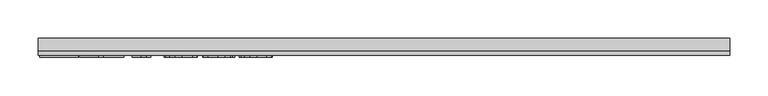
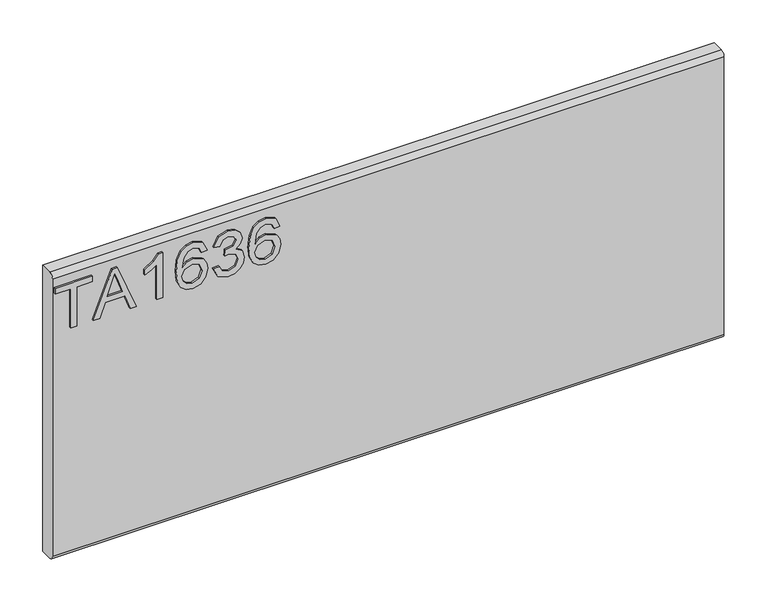
"""IFC4 building model written with IfcOpenShell, lengths in millimetres: furniture geometry."""

import ifcopenshell
import ifcopenshell.guid

model = None  # the IFC model being written
_history = None  # IfcOwnerHistory: only IFC2X3 demands one
_inside = {}  # id of a spatial element -> (the spatial element, [elements in it])
_under = {}  # id of a project, library or spatial element -> (it, [spatial elements below it])
_declared = {}  # id of a project -> (the project, [libraries it declares])
_typed = {}  # id of a type object -> (the type object, [elements of that type])
_made_of = {}  # id of a material, layer set ... -> (it, [elements and type objects made of it])


def new_model(schema):
    """Start an empty IFC model of exactly this schema.

    Asked for "IFC4X3", IfcOpenShell would pick the latest addendum, in which some entities
    have other attributes; the version numbers below select the first issue.
    IFC2X3 requires an IfcOwnerHistory on every rooted entity: one is made here for all.
    """
    global model, _history
    if schema == "IFC4X3":
        model = ifcopenshell.file(schema_version=(4, 3, 0, 0))
    else:
        model = ifcopenshell.file(schema=schema)
    _inside.clear()
    _under.clear()
    _declared.clear()
    _typed.clear()
    _made_of.clear()
    _history = None
    if model.schema == "IFC2X3":
        org = make("IfcOrganization", Name="unknown")
        user = make(
            "IfcPersonAndOrganization",
            ThePerson=make("IfcPerson", FamilyName="unknown"),
            TheOrganization=org,
        )
        app = make(
            "IfcApplication",
            ApplicationDeveloper=org,
            Version="unknown",
            ApplicationFullName="unknown",
            ApplicationIdentifier="unknown",
        )
        _history = make(
            "IfcOwnerHistory",
            OwningUser=user,
            OwningApplication=app,
            ChangeAction="ADDED",
            CreationDate=0,
        )
    return model


def make(cls, **values):
    """One entity of the class cls with the attributes given. An attribute that is None is left unset."""
    return model.create_entity(
        cls, **{name: value for name, value in values.items() if value is not None}
    )


def rooted(cls, **values):
    """An entity with a GlobalId (a new one), such as an element, a storey or a relation."""
    return make(cls, GlobalId=ifcopenshell.guid.new(), OwnerHistory=_history, **values)


def si_unit(unit_type, name, prefix=None):
    """IfcSIUnit, for example si_unit("LENGTHUNIT", "METRE", prefix="MILLI")."""
    return make("IfcSIUnit", UnitType=unit_type, Prefix=prefix, Name=name)


def assignment(units):
    """IfcUnitAssignment: the units of a project."""
    return None if units is None else make("IfcUnitAssignment", Units=units)


def point(xyz):
    """IfcCartesianPoint."""
    return None if xyz is None else make("IfcCartesianPoint", Coordinates=xyz)


def direction(xyz):
    """IfcDirection."""
    return None if xyz is None else make("IfcDirection", DirectionRatios=xyz)


def frame(location, z_axis=None, x_axis=None):
    """IfcAxis2Placement3D, a coordinate frame: its origin and axes. An axis left out is left unset."""
    return make(
        "IfcAxis2Placement3D",
        Location=point(location),
        Axis=direction(z_axis),
        RefDirection=direction(x_axis),
    )


def origin():
    """The frame at (0, 0, 0) with its axes left unset."""
    return frame((0.0, 0.0, 0.0))


def place(relative_to, where):
    """IfcLocalPlacement: puts the frame where relative to a parent placement (None: the world)."""
    return make(
        "IfcLocalPlacement", PlacementRelTo=relative_to, RelativePlacement=where
    )


def context(
    kind, dimensions, precision=None, world=None, true_north=None, identifier=None
):
    """IfcGeometricRepresentationContext, for example the 3D "Model" context."""
    return make(
        "IfcGeometricRepresentationContext",
        ContextIdentifier=identifier,
        ContextType=kind,
        CoordinateSpaceDimension=dimensions,
        Precision=precision,
        WorldCoordinateSystem=world,
        TrueNorth=true_north,
    )


def project(units=None, contexts=None):
    """IfcProject with its units and contexts."""
    return rooted(
        "IfcProject",
        Name="project",
        RepresentationContexts=contexts,
        UnitsInContext=assignment(units),
    )


def spatial(cls, under=None, at=None, **own):
    """A site, building, storey or space (cls), placed at a placement, below another one or the project."""
    s = rooted(cls, ObjectPlacement=at, **own)
    if under is not None:
        _under.setdefault(under.id(), (under, []))[1].append(s)
    return s


def polyline(points):
    """IfcPolyline through the points."""
    return make("IfcPolyline", Points=[point(p) for p in points])


def circle_curve(where, radius):
    """IfcCircle in the frame where."""
    return make("IfcCircle", Position=where, Radius=radius)


def outline(outer, holes=None, kind="AREA"):
    """IfcArbitraryClosedProfileDef: a profile drawn as a closed curve; with holes, ...WithVoids."""
    if holes is None:
        return make("IfcArbitraryClosedProfileDef", ProfileType=kind, OuterCurve=outer)
    return make(
        "IfcArbitraryProfileDefWithVoids",
        ProfileType=kind,
        OuterCurve=outer,
        InnerCurves=holes,
    )


def extrude(swept, where, along, depth):
    """IfcExtrudedAreaSolid: the profile swept, set in the frame where, extruded along a direction by depth."""
    return make(
        "IfcExtrudedAreaSolid",
        SweptArea=swept,
        Position=where,
        ExtrudedDirection=direction(along),
        Depth=depth,
    )


def shape(context_of_items, identifier, shape_type, items):
    """IfcShapeRepresentation: the items that make up one representation, for example the "Body"."""
    return make(
        "IfcShapeRepresentation",
        ContextOfItems=context_of_items,
        RepresentationIdentifier=identifier,
        RepresentationType=shape_type,
        Items=items,
    )


def source(mapping_origin, context_of_items, identifier, shape_type, items):
    """IfcRepresentationMap: a shape defined once, which mapped items show again and again."""
    return make(
        "IfcRepresentationMap",
        MappingOrigin=mapping_origin,
        MappedRepresentation=shape(context_of_items, identifier, shape_type, items),
    )


def transform(
    local_origin,
    x_axis=None,
    y_axis=None,
    z_axis=None,
    scale=None,
    scale2=None,
    scale3=None,
    uniform=True,
):
    """IfcCartesianTransformationOperator3D, or its non-uniform kind. x_axis, y_axis, z_axis: its Axis1, 2, 3."""
    if uniform:
        return make(
            "IfcCartesianTransformationOperator3D",
            Axis1=direction(x_axis),
            Axis2=direction(y_axis),
            LocalOrigin=point(local_origin),
            Scale=scale,
            Axis3=direction(z_axis),
        )
    return make(
        "IfcCartesianTransformationOperator3DnonUniform",
        Axis1=direction(x_axis),
        Axis2=direction(y_axis),
        LocalOrigin=point(local_origin),
        Scale=scale,
        Axis3=direction(z_axis),
        Scale2=scale2,
        Scale3=scale3,
    )


def mapped(mapping_source, mapping_target):
    """IfcMappedItem: shows the shape of a source again, moved by a transform."""
    return make(
        "IfcMappedItem", MappingSource=mapping_source, MappingTarget=mapping_target
    )


def made_of(thing, what):
    """Note that an element or type object is made of a material, layer set ...; save() writes the relation."""
    if what is not None:
        _made_of.setdefault(what.id(), (what, []))[1].append(thing)
    return thing


def element(
    cls,
    number,
    at=None,
    inside=None,
    cuts=None,
    type_object=None,
    material=None,
    context=None,
    identifier="Body",
    shape_type=None,
    held_by="IfcProductDefinitionShape",
    body=None,
    shapes=None,
    **own,
):
    """One element of the class cls, such as IfcWall. Its Tag is "e" and its number.

    at: its placement. inside: the storey or other place that contains it. cuts: it is an
    opening in that element (IfcRelVoidsElement). A single representation is given by context,
    identifier, shape_type and body (its items); several are given by shapes. held_by: the class
    of the entity that holds the representations. save() writes the other relations.
    """
    e = rooted(cls, Tag="e%d" % number, ObjectPlacement=at, **own)
    if body is not None:
        shapes = [shape(context, identifier, shape_type, body)]
    if shapes is not None:
        e.Representation = make(held_by, Representations=shapes)
    if inside is not None:
        _inside.setdefault(inside.id(), (inside, []))[1].append(e)
    if cuts is not None:
        rooted(
            "IfcRelVoidsElement", RelatingBuildingElement=cuts, RelatedOpeningElement=e
        )
    if type_object is not None:
        _typed.setdefault(type_object.id(), (type_object, []))[1].append(e)
    return made_of(e, material)


def aggregate(whole, parts):
    """IfcRelAggregates: a whole, such as a stair, and the parts it consists of."""
    return rooted("IfcRelAggregates", RelatingObject=whole, RelatedObjects=parts)


def save(model, path):
    """Write the relations noted so far, then the file.

    IfcRelAggregates (storeys below a building ...), IfcRelContainedInSpatialStructure (elements
    in a storey), IfcRelDefinesByType, IfcRelAssociatesMaterial and IfcRelDeclares: one each for
    every whole, place, type object, material and project.
    """
    for whole, parts in _under.values():
        aggregate(whole, parts)
    for where, things in _inside.values():
        rooted(
            "IfcRelContainedInSpatialStructure",
            RelatedElements=things,
            RelatingStructure=where,
        )
    for kind, things in _typed.values():
        rooted("IfcRelDefinesByType", RelatedObjects=things, RelatingType=kind)
    for what, things in _made_of.values():
        rooted("IfcRelAssociatesMaterial", RelatedObjects=things, RelatingMaterial=what)
    for by, libraries in _declared.values():
        rooted("IfcRelDeclares", RelatingContext=by, RelatedDefinitions=libraries)
    model.write(path)


def plane_surface(at):
    """IfcPlane: the flat surface through the origin of the frame at, square to its z axis."""
    return make("IfcPlane", Position=at)


def cylinder_surface(at, radius):
    """IfcCylindricalSurface: all points at the distance radius from the z axis of the frame at."""
    return make("IfcCylindricalSurface", Position=at, Radius=radius)


def advanced_brep(points, edges, surfaces, faces):
    """IfcAdvancedBrep: a solid bounded by faces that lie on surfaces and meet in shared edges.

    An edge is (start, end): straight between two places in points (the first is 0);
    or (start, end, curve); or (start, end, curve, False) where it runs against its curve.
    A face is (place in surfaces, loops), or (place, loops, False) where it looks against
    its surface's normal. A loop lists edges by number (the first is 1), with a minus sign
    where the edge is run from its end to its start. The first loop is the outer one.
    """
    corners = [point(p) for p in points]
    vertices = [make("IfcVertexPoint", VertexGeometry=c) for c in corners]
    made = []
    for start, end, *more in edges:
        made.append(
            make(
                "IfcEdgeCurve",
                EdgeStart=vertices[start],
                EdgeEnd=vertices[end],
                EdgeGeometry=more[0] if more else make("IfcPolyline", Points=[corners[start], corners[end]]),
                SameSense=more[1] if len(more) > 1 else True,
            )
        )
    hull = []
    for where, loops, *sense in faces:
        bounds = []
        for j, loop in enumerate(loops):
            ring = [make("IfcOrientedEdge", EdgeElement=made[abs(k) - 1], Orientation=k > 0) for k in loop]
            bounds.append(
                make(
                    "IfcFaceOuterBound" if j == 0 else "IfcFaceBound",
                    Bound=make("IfcEdgeLoop", EdgeList=ring),
                    Orientation=True,
                )
            )
        hull.append(make("IfcAdvancedFace", Bounds=bounds, FaceSurface=surfaces[where], SameSense=sense[0] if sense else True))
    return make("IfcAdvancedBrep", Outer=make("IfcClosedShell", CfsFaces=hull))


def furniture_c8c7a907(model_context):
    return source(origin(), model_context, "Body", "SolidModel", [
        extrude(outline(polyline([(1085.85, -427.9255561), (1085.85, -419.9518365), (1141.6660373, -419.9518365), (1141.6660373, -399.0208225), (1149.6397569, -399.0208225), (1149.6397569, -448.8565701), (1141.6660373, -448.8565701), (1141.6660373, -427.9255561), (1085.85, -427.9255561)])), frame((0.0, -15.0812439, 0.0), z_axis=(0.0, 1.0, 0.0), x_axis=(0.0, 0.0, 1.0)), (0.0, 0.0, 1.0), 2.38125),
        extrude(outline(polyline([(1085.85, -397.479029), (1085.85, -389.053673), (1105.784299, -381.7651949), (1105.784299, -355.4924117), (1085.85, -348.1883599), (1085.85, -339.7630038), (1149.6397569, -365.2259561), (1149.6397569, -372.0160767), (1085.85, -397.479029)]), holes=[polyline([(1113.7580187, -378.8373447), (1130.8111885, -372.5923026), (1141.6660373, -368.6210164), (1129.4407055, -364.1513728), (1113.7580187, -358.4046882), (1113.7580187, -378.8373447)])]), frame((0.0, -15.0812439, 0.0), z_axis=(0.0, 1.0, 0.0), x_axis=(0.0, 0.0, 1.0)), (0.0, 0.0, 1.0), 2.38125),
        extrude(outline(polyline([(1085.85, -304.332902), (1149.6397569, -304.332902), (1149.6397569, -309.4722135), (1141.1521062, -316.5660207), (1133.6923177, -328.2540609), (1126.1546609, -328.2540609), (1130.1804549, -319.8598521), (1135.5611582, -312.3066216), (1085.85, -312.3066216), (1085.85, -304.332902)])), frame((0.0, -15.0812439, 0.0), z_axis=(0.0, 1.0, 0.0), x_axis=(0.0, 0.0, 1.0)), (0.0, 0.0, 1.0), 2.38125),
        extrude(outline(polyline([(1132.6956028, -244.5300049), (1145.138966, -250.4168526), (1149.6397569, -263.0159525), (1147.8215308, -272.2706066), (1142.3668525, -279.4150282), (1131.5081103, -284.6477817), (1115.6268592, -286.3920329), (1101.5015395, -284.8210388), (1092.0171738, -280.1080566), (1086.6442572, -272.903287), (1084.853285, -263.8569308), (1087.555317, -253.4069974), (1095.3421526, -246.1652403), (1106.3449512, -243.5332899), (1114.5172351, -244.9310269), (1121.0309231, -249.1242379), (1126.715313, -262.6733317), (1124.6362279, -271.3868007), (1118.2743833, -278.4183133), (1132.4853582, -276.1523441), (1139.7349021, -270.709346), (1141.6660373, -263.51431), (1138.3488454, -255.5250167), (1131.6988878, -252.5037245), (1132.6956028, -244.5300049)]), holes=[polyline([(1106.4695406, -278.4183133), (1115.35432, -274.454814), (1118.7415934, -264.8069247), (1115.35432, -255.0344461), (1106.0801988, -251.5070095), (1096.3933754, -255.0811671), (1092.8270047, -264.4798776), (1094.5478953, -271.6671268), (1099.5626174, -276.5728332), (1106.4695406, -278.4183133)])]), frame((0.0, -15.0812439, 0.0), z_axis=(0.0, 1.0, 0.0), x_axis=(0.0, 0.0, 1.0)), (0.0, 0.0, 1.0), 2.38125),
        extrude(outline(polyline([(1102.7941542, -236.5562853), (1089.8524335, -230.2178011), (1084.853285, -216.2326444), (1086.3172101, -207.7099529), (1090.7089854, -200.7991364), (1097.2032063, -196.220477), (1104.9744681, -194.6942573), (1115.3465331, -197.7466968), (1120.797318, -206.4368053), (1126.0767925, -199.8958634), (1133.4275653, -197.6844021), (1141.4713664, -200.012666), (1147.4516562, -206.7404919), (1149.6397569, -216.3572338), (1145.2012607, -229.0342021), (1132.6956028, -235.5595703), (1131.6988878, -227.5858507), (1139.1742499, -223.6768592), (1141.6660373, -216.0769077), (1139.1976105, -208.5703982), (1132.9603552, -205.6581217), (1125.9210558, -209.6761289), (1123.7251682, -220.0014729), (1115.7514486, -220.8891721), (1116.6235742, -215.2982242), (1113.36089, -206.2343476), (1105.1146312, -202.6679769), (1096.362228, -206.2654949), (1092.8270047, -215.9523184), (1095.3966604, -224.1830036), (1103.7908691, -228.5825656), (1102.7941542, -236.5562853)])), frame((0.0, -15.0812439, 0.0), z_axis=(0.0, 1.0, 0.0), x_axis=(0.0, 0.0, 1.0)), (0.0, 0.0, 1.0), 2.38125),
        extrude(outline(polyline([(1132.6956028, -146.8519396), (1145.138966, -152.7387872), (1149.6397569, -165.3378872), (1147.8215308, -174.5925413), (1142.3668525, -181.7369629), (1131.5081103, -186.9697164), (1115.6268592, -188.7139676), (1101.5015395, -187.1429735), (1092.0171738, -182.4299913), (1086.6442572, -175.2252216), (1084.853285, -166.1788654), (1087.555317, -155.7289321), (1095.3421526, -148.487175), (1106.3449512, -145.8552246), (1114.5172351, -147.2529616), (1121.0309231, -151.4461725), (1126.715313, -164.9952664), (1124.6362279, -173.7087354), (1118.2743833, -180.7402479), (1132.4853582, -178.4742788), (1139.7349021, -173.0312807), (1141.6660373, -165.8362447), (1138.3488454, -157.8469514), (1131.6988878, -154.8256592), (1132.6956028, -146.8519396)]), holes=[polyline([(1106.4695406, -180.7402479), (1115.35432, -176.7767486), (1118.7415934, -167.1288594), (1115.35432, -157.3563807), (1106.0801988, -153.8289442), (1096.3933754, -157.4031017), (1092.8270047, -166.8018123), (1094.5478953, -173.9890615), (1099.5626174, -178.8947679), (1106.4695406, -180.7402479)])]), frame((0.0, -15.0812439, 0.0), z_axis=(0.0, 1.0, 0.0), x_axis=(0.0, 0.0, 1.0)), (0.0, 0.0, 1.0), 2.38125),
        advanced_brep(
        [(450.85, 9.5250061, 1168.4), (450.85, -6.7309939, 1168.4), (450.85, -12.6999939, 1162.431), (450.85, -12.6999939, 767.969), (450.85, -6.7309939, 762.0), (450.85, 9.5250061, 762.0), (-450.85, 9.5250061, 1168.4), (-450.85, 9.5250061, 762.0), (-450.85, -6.7309939, 762.0), (-450.85, -12.6999939, 767.969), (-450.85, -12.6999939, 1162.4310121), (-450.85, -6.7309939, 1168.4)],
        [
            (0, 1),
            (1, 2, circle_curve(frame((450.85, -6.7309939, 1162.431), z_axis=(1.0, 0.0, 0.0), x_axis=(0.0, 1.0, 0.0)), 5.969)),
            (2, 3),
            (3, 4, circle_curve(frame((450.85, -6.7309939, 767.969), z_axis=(1.0, 0.0, 0.0), x_axis=(0.0, 1.0, 0.0)), 5.969)),
            (4, 5),
            (5, 0),
            (6, 7),
            (7, 8),
            (8, 9, circle_curve(frame((-450.85, -6.7309939, 767.969), z_axis=(-1.0, 0.0, 0.0), x_axis=(0.0, 1.0, 0.0)), 5.969)),
            (9, 10),
            (10, 11, circle_curve(frame((-450.85, -6.7309939, 1162.431), z_axis=(-1.0, 0.0, 0.0), x_axis=(0.0, 1.0, 0.0)), 5.969)),
            (11, 6),
            (0, 6),
            (11, 1),
            (10, 2),
            (9, 3),
            (8, 4),
            (7, 5),
        ],
        [
            plane_surface(frame((450.85, -6.7309939, 1168.4), z_axis=(1.0, 0.0, 0.0), x_axis=(0.0, -1.0, 0.0))),
            plane_surface(frame((-450.85, -6.7309939, 1168.4), z_axis=(-1.0, 0.0, 0.0), x_axis=(0.0, 1.0, 0.0))),
            plane_surface(frame((450.85, 9.5250061, 1168.4), z_axis=(0.0, 0.0, 1.0), x_axis=(-1.0, 0.0, 0.0))),
            cylinder_surface(frame((-450.85, -6.7309939, 1162.431), z_axis=(1.0, 0.0, 0.0), x_axis=(0.0, 1.0, 0.0)), 5.969),
            plane_surface(frame((450.85, -12.6999939, 1162.4310121), z_axis=(0.0, -1.0, 0.0), x_axis=(-1.0, 0.0, 0.0))),
            cylinder_surface(frame((-450.85, -6.7309939, 767.969), z_axis=(1.0, 0.0, 0.0), x_axis=(0.0, 1.0, 0.0)), 5.969),
            plane_surface(frame((450.85, -6.7309939, 762.0), z_axis=(0.0, 0.0, -1.0), x_axis=(-1.0, 0.0, 0.0))),
            plane_surface(frame((450.85, 9.5250061, 762.0), z_axis=(0.0, 1.0, 0.0), x_axis=(-1.0, 0.0, 0.0))),
        ],
        [
            (0, [[1, 2, 3, 4, 5, 6]]),
            (1, [[7, 8, 9, 10, 11, 12]]),
            (2, [[-1, 13, -12, 14]]),
            (3, [[-2, -14, -11, 15]]),
            (4, [[-3, -15, -10, 16]]),
            (5, [[-4, -16, -9, 17]]),
            (6, [[-5, -17, -8, 18]]),
            (7, [[-6, -18, -7, -13]]),
        ],
    ),
    ])


if __name__ == "__main__":
    model = new_model("IFC4")
    model_context = context("Model", 3, world=origin())
    ifc_project = project(units=[si_unit("LENGTHUNIT", "METRE", prefix="MILLI")], contexts=[model_context])
    site = spatial("IfcSite", under=ifc_project)
    building = spatial("IfcBuilding", under=site)
    placement = place(None, origin())
    furniture_shape = furniture_c8c7a907(model_context)
    element("IfcFurniture", 1, at=placement, inside=building, context=model_context, shape_type="MappedRepresentation", body=[
        mapped(furniture_shape, transform((0.0, 0.0, 0.0), x_axis=(1.0, 0.0, 0.0), y_axis=(0.0, 1.0, 0.0), z_axis=(0.0, 0.0, 1.0))),
    ])
    save(model, "model.ifc")
